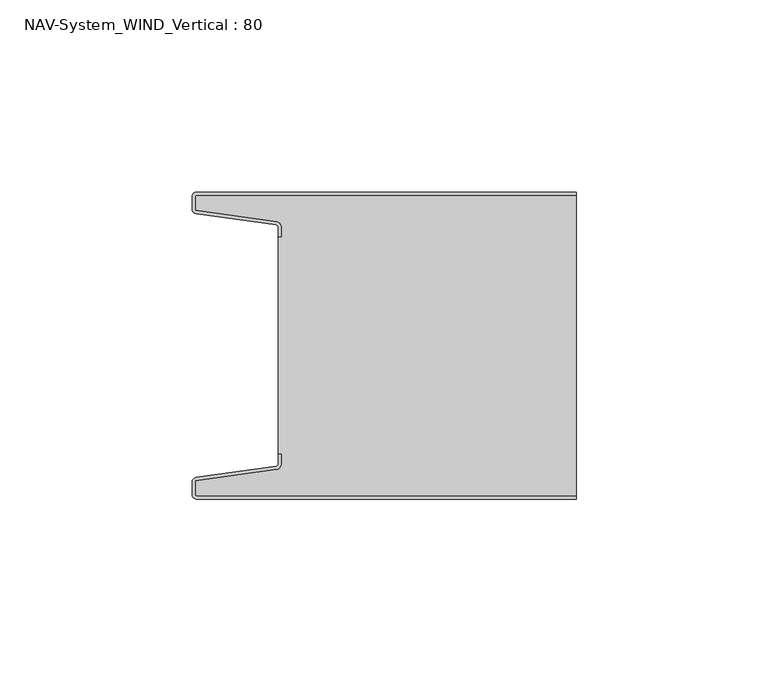
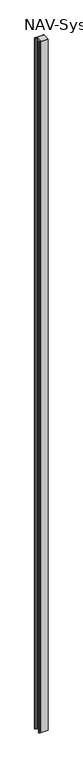
"""IFC4 building model written with IfcOpenShell, lengths in millimetres: plate geometry, NAV-System_WIND_Vertical : 80."""

from ifc_helpers import new_model, si_unit, point, frame_2d, origin, origin_with_axes, place, context, project, spatial, polyline, circle_curve, trimmed, segment, composite_curve, outline, extrude, source, transform, mapped, element, save


def nav_system_wind_vertical_80_77fe86fa(model_context):
    return source(origin(), model_context, "Body", "SweptSolid", [
        extrude(outline(composite_curve([segment(trimmed(circle_curve(frame_2d((-48.7, -78.7)), 1.3), [point((-48.7, -80.0))], [point((-50.0, -78.7))], False, "CARTESIAN"), True, "CONTINUOUS"), segment(polyline([(-50.0, -78.7), (-50.0, -75.6299809)]), True, "CONTINUOUS"), segment(trimmed(circle_curve(frame_2d((-48.7, -75.6299809)), 1.3), [point((-50.0, -75.6299809))], [point((-48.8810287, -74.342647))], False, "CARTESIAN"), True, "CONTINUOUS"), segment(polyline([(-48.8810287, -74.342647), (-28.102523, -71.4207123)]), True, "CONTINUOUS"), segment(trimmed(circle_curve(frame_2d((-28.2, -70.7275325)), 0.7), [point((-28.102523, -71.4207123))], [point((-27.5, -70.7275325))], True, "CARTESIAN"), True, "CONTINUOUS"), segment(polyline([(-27.5, -70.7275325), (-27.5, -68.3275325), (-26.7, -68.3275325), (-26.7, -70.7275325)]), True, "CONTINUOUS"), segment(trimmed(circle_curve(frame_2d((-28.2, -70.7275325)), 1.5), [point((-26.7, -70.7275325))], [point((-27.9911207, -72.2129178))], False, "CARTESIAN"), True, "CONTINUOUS"), segment(polyline([(-27.9911207, -72.2129178), (-49.2, -75.1953728), (-49.2, -78.7)]), True, "CONTINUOUS"), segment(trimmed(circle_curve(frame_2d((-48.7, -78.7)), 0.5), [point((-49.2, -78.7))], [point((-48.7, -79.2))], True, "CARTESIAN"), True, "CONTINUOUS"), segment(polyline([(-48.7, -79.2), (50.0, -79.2), (50.0, -80.0), (-48.7, -80.0)]), True, "CONTINUOUS")], self_intersect=False)), origin_with_axes(), (0.0, 0.0, 1.0), 8000.0),
        extrude(outline(composite_curve([segment(trimmed(circle_curve(frame_2d((-48.7, -1.3)), 0.5), [point((-48.7, -0.8))], [point((-49.2, -1.3))], True, "CARTESIAN"), True, "CONTINUOUS"), segment(polyline([(-49.2, -1.3), (-49.2, -4.8046272), (-27.9911207, -7.7870822)]), True, "CONTINUOUS"), segment(trimmed(circle_curve(frame_2d((-28.2, -9.2724675)), 1.5), [point((-27.9911207, -7.7870822))], [point((-26.7, -9.2724675))], False, "CARTESIAN"), True, "CONTINUOUS"), segment(polyline([(-26.7, -9.2724675), (-26.7, -11.6724675), (-27.5, -11.6724675), (-27.5, -9.2724675)]), True, "CONTINUOUS"), segment(trimmed(circle_curve(frame_2d((-28.2, -9.2724675)), 0.7), [point((-27.5, -9.2724675))], [point((-28.102523, -8.5792877))], True, "CARTESIAN"), True, "CONTINUOUS"), segment(polyline([(-28.102523, -8.5792877), (-48.8810287, -5.657353)]), True, "CONTINUOUS"), segment(trimmed(circle_curve(frame_2d((-48.7, -4.3700191)), 1.3), [point((-48.8810287, -5.657353))], [point((-50.0, -4.3700191))], False, "CARTESIAN"), True, "CONTINUOUS"), segment(polyline([(-50.0, -4.3700191), (-50.0, -1.3)]), True, "CONTINUOUS"), segment(trimmed(circle_curve(frame_2d((-48.7, -1.3)), 1.3), [point((-50.0, -1.3))], [point((-48.7, 0.0))], False, "CARTESIAN"), True, "CONTINUOUS"), segment(polyline([(-48.7, 0.0), (50.0, 0.0), (50.0, -0.8), (-48.7, -0.8)]), True, "CONTINUOUS")], self_intersect=False)), origin_with_axes(), (0.0, 0.0, 1.0), 8000.0),
        extrude(outline(composite_curve([segment(trimmed(circle_curve(frame_2d((-48.7, -78.7)), 0.5), [point((-48.7, -79.2))], [point((-49.2, -78.7))], False, "CARTESIAN"), True, "CONTINUOUS"), segment(polyline([(-49.2, -78.7), (-49.2, -75.1953728), (-27.9911207, -72.2129178)]), True, "CONTINUOUS"), segment(trimmed(circle_curve(frame_2d((-28.2, -70.7275325)), 1.5), [point((-27.9911207, -72.2129178))], [point((-26.7, -70.7275325))], True, "CARTESIAN"), True, "CONTINUOUS"), segment(polyline([(-26.7, -70.7275325), (-26.7, -68.2767555), (-27.5, -68.2767555), (-27.5, -11.6767555), (-26.7, -11.6767555), (-26.7, -9.2724675)]), True, "CONTINUOUS"), segment(trimmed(circle_curve(frame_2d((-28.2, -9.2724675)), 1.5), [point((-26.7, -9.2724675))], [point((-27.9911207, -7.7870822))], True, "CARTESIAN"), True, "CONTINUOUS"), segment(polyline([(-27.9911207, -7.7870822), (-49.2, -4.8046272), (-49.2, -1.3)]), True, "CONTINUOUS"), segment(trimmed(circle_curve(frame_2d((-48.7, -1.3)), 0.5), [point((-49.2, -1.3))], [point((-48.7, -0.8))], False, "CARTESIAN"), True, "CONTINUOUS"), segment(polyline([(-48.7, -0.8), (50.0, -0.8), (50.0, -79.2), (-48.7, -79.2)]), True, "CONTINUOUS")], self_intersect=False)), origin_with_axes(), (0.0, 0.0, 1.0), 8000.0),
    ])


if __name__ == "__main__":
    model = new_model("IFC4")
    model_context = context("Model", 3, world=origin())
    ifc_project = project(units=[si_unit("LENGTHUNIT", "METRE", prefix="MILLI")], contexts=[model_context])
    site = spatial("IfcSite", under=ifc_project)
    building = spatial("IfcBuilding", under=site)
    placement = place(None, origin())
    nav_system_wind_vertical_80_shape = nav_system_wind_vertical_80_77fe86fa(model_context)
    element("IfcPlate", 1, ObjectType="NAV-System_WIND_Vertical : 80", at=placement, inside=building, context=model_context, shape_type="MappedRepresentation", body=[
        mapped(nav_system_wind_vertical_80_shape, transform((0.0, 0.0, 0.0), x_axis=(1.0, 0.0, 0.0), y_axis=(0.0, 1.0, 0.0), z_axis=(0.0, 0.0, 1.0))),
    ])
    save(model, "model.ifc")
